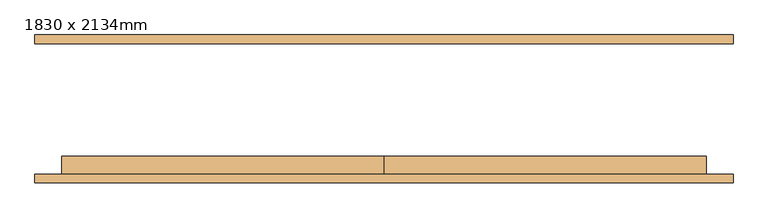
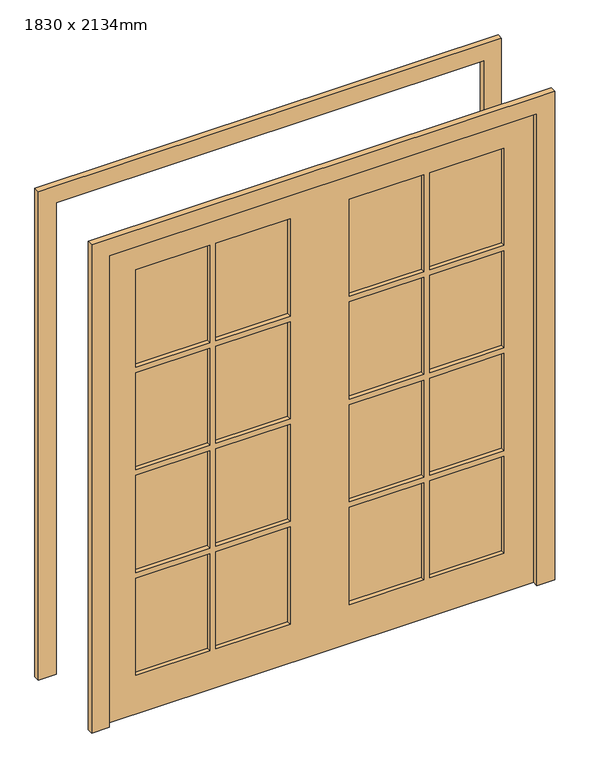
"""IFC4 building model written with IfcOpenShell, lengths in millimetres: door geometry, 1830 x 2134mm."""

from ifc_helpers import new_model, si_unit, frame, origin, place, context, project, spatial, polyline, outline, extrude, source, transform, mapped, element, save


def door_1830_x_2134mm_8d0a1745(model_context):
    return source(origin(), model_context, "Body", "SweptSolid", [
        extrude(outline(polyline([(470.0, -165.95), (470.0, -153.25), (788.0, -153.25), (788.0, -165.95), (470.0, -165.95)])), frame((0.0, 0.0, 1569.25), z_axis=(0.0, 0.0, 1.0), x_axis=(1.0, 0.0, 0.0)), (0.0, 0.0, 1.0), 439.75),
        extrude(outline(polyline([(127.0, -165.95), (127.0, -153.25), (445.0, -153.25), (445.0, -165.95), (127.0, -165.95)])), frame((0.0, 0.0, 1569.25), z_axis=(0.0, 0.0, 1.0), x_axis=(1.0, 0.0, 0.0)), (0.0, 0.0, 1.0), 439.75),
        extrude(outline(polyline([(-445.0, -165.95), (-445.0, -153.25), (-127.0, -153.25), (-127.0, -165.95), (-445.0, -165.95)])), frame((0.0, 0.0, 1569.25), z_axis=(0.0, 0.0, 1.0), x_axis=(1.0, 0.0, 0.0)), (0.0, 0.0, 1.0), 439.75),
        extrude(outline(polyline([(-788.0, -165.95), (-788.0, -153.25), (-470.0, -153.25), (-470.0, -165.95), (-788.0, -165.95)])), frame((0.0, 0.0, 1569.25), z_axis=(0.0, 0.0, 1.0), x_axis=(1.0, 0.0, 0.0)), (0.0, 0.0, 1.0), 439.75),
        extrude(outline(polyline([(-788.0, -165.95), (-788.0, -153.25), (-470.0, -153.25), (-470.0, -165.95), (-788.0, -165.95)])), frame((0.0, 0.0, 1104.5), z_axis=(0.0, 0.0, 1.0), x_axis=(1.0, 0.0, 0.0)), (0.0, 0.0, 1.0), 439.75),
        extrude(outline(polyline([(-445.0, -165.95), (-445.0, -153.25), (-127.0, -153.25), (-127.0, -165.95), (-445.0, -165.95)])), frame((0.0, 0.0, 1104.5), z_axis=(0.0, 0.0, 1.0), x_axis=(1.0, 0.0, 0.0)), (0.0, 0.0, 1.0), 439.75),
        extrude(outline(polyline([(127.0, -165.95), (127.0, -153.25), (445.0, -153.25), (445.0, -165.95), (127.0, -165.95)])), frame((0.0, 0.0, 1104.5), z_axis=(0.0, 0.0, 1.0), x_axis=(1.0, 0.0, 0.0)), (0.0, 0.0, 1.0), 439.75),
        extrude(outline(polyline([(470.0, -165.95), (470.0, -153.25), (788.0, -153.25), (788.0, -165.95), (470.0, -165.95)])), frame((0.0, 0.0, 1104.5), z_axis=(0.0, 0.0, 1.0), x_axis=(1.0, 0.0, 0.0)), (0.0, 0.0, 1.0), 439.75),
        extrude(outline(polyline([(470.0, -165.95), (470.0, -153.25), (788.0, -153.25), (788.0, -165.95), (470.0, -165.95)])), frame((0.0, 0.0, 639.75), z_axis=(0.0, 0.0, 1.0), x_axis=(1.0, 0.0, 0.0)), (0.0, 0.0, 1.0), 439.75),
        extrude(outline(polyline([(127.0, -165.95), (127.0, -153.25), (445.0, -153.25), (445.0, -165.95), (127.0, -165.95)])), frame((0.0, 0.0, 639.75), z_axis=(0.0, 0.0, 1.0), x_axis=(1.0, 0.0, 0.0)), (0.0, 0.0, 1.0), 439.75),
        extrude(outline(polyline([(-445.0, -165.95), (-445.0, -153.25), (-127.0, -153.25), (-127.0, -165.95), (-445.0, -165.95)])), frame((0.0, 0.0, 639.75), z_axis=(0.0, 0.0, 1.0), x_axis=(1.0, 0.0, 0.0)), (0.0, 0.0, 1.0), 439.75),
        extrude(outline(polyline([(-788.0, -165.95), (-788.0, -153.25), (-470.0, -153.25), (-470.0, -165.95), (-788.0, -165.95)])), frame((0.0, 0.0, 639.75), z_axis=(0.0, 0.0, 1.0), x_axis=(1.0, 0.0, 0.0)), (0.0, 0.0, 1.0), 439.75),
        extrude(outline(polyline([(470.0, -165.95), (470.0, -153.25), (788.0, -153.25), (788.0, -165.95), (470.0, -165.95)])), frame((0.0, 0.0, 175.0), z_axis=(0.0, 0.0, 1.0), x_axis=(1.0, 0.0, 0.0)), (0.0, 0.0, 1.0), 439.75),
        extrude(outline(polyline([(127.0, -165.95), (127.0, -153.25), (445.0, -153.25), (445.0, -165.95), (127.0, -165.95)])), frame((0.0, 0.0, 175.0), z_axis=(0.0, 0.0, 1.0), x_axis=(1.0, 0.0, 0.0)), (0.0, 0.0, 1.0), 439.75),
        extrude(outline(polyline([(-445.0, -165.95), (-445.0, -153.25), (-127.0, -153.25), (-127.0, -165.95), (-445.0, -165.95)])), frame((0.0, 0.0, 175.0), z_axis=(0.0, 0.0, 1.0), x_axis=(1.0, 0.0, 0.0)), (0.0, 0.0, 1.0), 439.75),
        extrude(outline(polyline([(-788.0, -165.95), (-788.0, -153.25), (-470.0, -153.25), (-470.0, -165.95), (-788.0, -165.95)])), frame((0.0, 0.0, 175.0), z_axis=(0.0, 0.0, 1.0), x_axis=(1.0, 0.0, 0.0)), (0.0, 0.0, 1.0), 439.75),
        extrude(outline(polyline([(2134.0, 0.0), (2134.0, -915.0), (0.0, -915.0), (0.0, 0.0), (0.0, 915.0), (2134.0, 915.0), (2134.0, 0.0)]), holes=[polyline([(2009.0, 470.0), (2009.0, 788.0), (1569.25, 788.0), (1569.25, 470.0), (2009.0, 470.0)]), polyline([(2009.0, 127.0), (2009.0, 445.0), (1569.25, 445.0), (1569.25, 127.0), (2009.0, 127.0)]), polyline([(1544.25, 470.0), (1544.25, 788.0), (1104.5, 788.0), (1104.5, 470.0), (1544.25, 470.0)]), polyline([(1544.25, 127.0), (1544.25, 445.0), (1104.5, 445.0), (1104.5, 127.0), (1544.25, 127.0)]), polyline([(1079.5, 470.0), (1079.5, 788.0), (639.75, 788.0), (639.75, 470.0), (1079.5, 470.0)]), polyline([(1079.5, 127.0), (1079.5, 445.0), (639.75, 445.0), (639.75, 127.0), (1079.5, 127.0)]), polyline([(614.75, 470.0), (614.75, 788.0), (175.0, 788.0), (175.0, 470.0), (614.75, 470.0)]), polyline([(614.75, 127.0), (614.75, 445.0), (175.0, 445.0), (175.0, 127.0), (614.75, 127.0)]), polyline([(2009.0, -445.0), (2009.0, -127.0), (1569.25, -127.0), (1569.25, -445.0), (2009.0, -445.0)]), polyline([(1544.25, -445.0), (1544.25, -127.0), (1104.5, -127.0), (1104.5, -445.0), (1544.25, -445.0)]), polyline([(1544.25, -470.0), (1104.5, -470.0), (1104.5, -788.0), (1544.25, -788.0), (1544.25, -470.0)]), polyline([(1079.5, -445.0), (1079.5, -127.0), (639.75, -127.0), (639.75, -445.0), (1079.5, -445.0)]), polyline([(1079.5, -470.0), (639.75, -470.0), (639.75, -788.0), (1079.5, -788.0), (1079.5, -470.0)]), polyline([(614.75, -445.0), (614.75, -127.0), (175.0, -127.0), (175.0, -445.0), (614.75, -445.0)]), polyline([(614.75, -788.0), (614.75, -470.0), (175.0, -470.0), (175.0, -788.0), (614.75, -788.0)]), polyline([(1569.25, -470.0), (1569.25, -788.0), (2009.0, -788.0), (2009.0, -470.0), (1569.25, -470.0)])]), frame((0.0, -185.0, 0.0), z_axis=(0.0, 1.0, 0.0), x_axis=(0.0, 0.0, 1.0)), (0.0, 0.0, 1.0), 51.0),
        extrude(outline(polyline([(2134.0, -915.0), (2134.0, 915.0), (0.0, 915.0), (0.0, 991.2), (2210.2, 991.2), (2210.2, -991.2), (0.0, -991.2), (0.0, -915.0), (2134.0, -915.0)])), frame((0.0, 185.0, 0.0), z_axis=(0.0, 1.0, 0.0), x_axis=(0.0, 0.0, 1.0)), (0.0, 0.0, 1.0), 25.0),
        extrude(outline(polyline([(2134.0, -915.0), (2134.0, 915.0), (0.0, 915.0), (0.0, 991.2), (2210.2, 991.2), (2210.2, -991.2), (0.0, -991.2), (0.0, -915.0), (2134.0, -915.0)])), frame((0.0, -210.0, 0.0), z_axis=(0.0, 1.0, 0.0), x_axis=(0.0, 0.0, 1.0)), (0.0, 0.0, 1.0), 25.0),
    ])


if __name__ == "__main__":
    model = new_model("IFC4")
    model_context = context("Model", 3, world=origin())
    ifc_project = project(units=[si_unit("LENGTHUNIT", "METRE", prefix="MILLI")], contexts=[model_context])
    site = spatial("IfcSite", under=ifc_project)
    building = spatial("IfcBuilding", under=site)
    placement = place(None, origin())
    door_1830_x_2134mm_shape = door_1830_x_2134mm_8d0a1745(model_context)
    element("IfcDoor", 1, ObjectType="1830 x 2134mm", at=placement, inside=building, context=model_context, shape_type="MappedRepresentation", body=[
        mapped(door_1830_x_2134mm_shape, transform((0.0, 0.0, 0.0), x_axis=(1.0, 0.0, 0.0), y_axis=(0.0, 1.0, 0.0), z_axis=(0.0, 0.0, 1.0))),
    ])
    save(model, "model.ifc")
